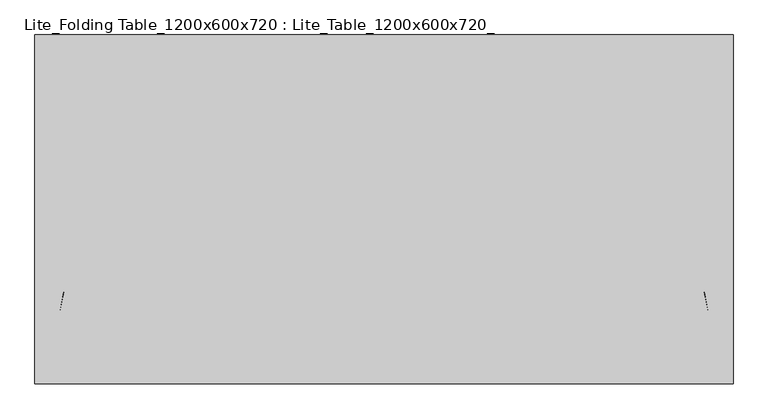
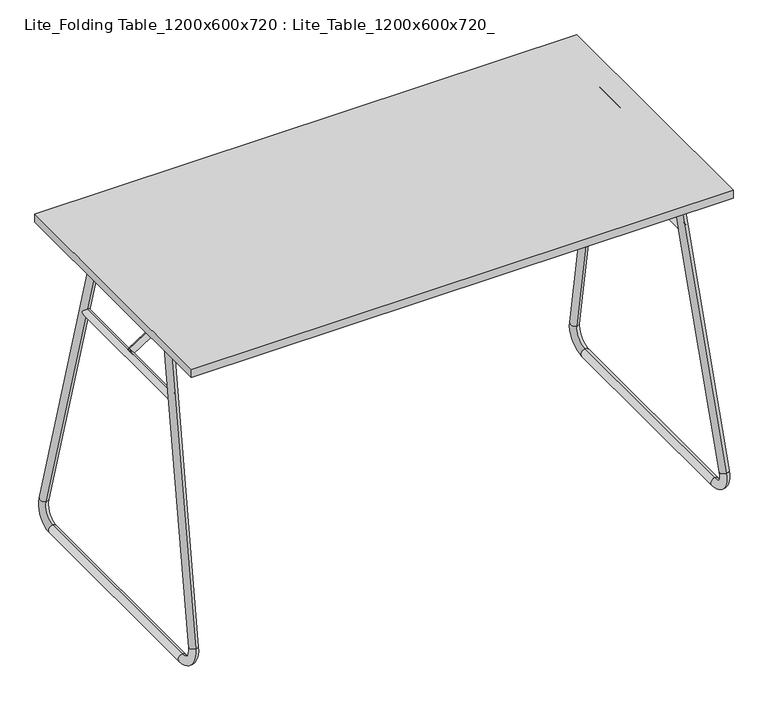
"""IFC4 building model written with IfcOpenShell, lengths in millimetres: furniture geometry, Lite_Folding Table_1200x600x720 : Lite_Table_1200x600x720_."""

import ifcopenshell
import ifcopenshell.guid

model = None  # the IFC model being written
_history = None  # IfcOwnerHistory: only IFC2X3 demands one
_inside = {}  # id of a spatial element -> (the spatial element, [elements in it])
_under = {}  # id of a project, library or spatial element -> (it, [spatial elements below it])
_declared = {}  # id of a project -> (the project, [libraries it declares])
_typed = {}  # id of a type object -> (the type object, [elements of that type])
_made_of = {}  # id of a material, layer set ... -> (it, [elements and type objects made of it])


def new_model(schema):
    """Start an empty IFC model of exactly this schema.

    Asked for "IFC4X3", IfcOpenShell would pick the latest addendum, in which some entities
    have other attributes; the version numbers below select the first issue.
    IFC2X3 requires an IfcOwnerHistory on every rooted entity: one is made here for all.
    """
    global model, _history
    if schema == "IFC4X3":
        model = ifcopenshell.file(schema_version=(4, 3, 0, 0))
    else:
        model = ifcopenshell.file(schema=schema)
    _inside.clear()
    _under.clear()
    _declared.clear()
    _typed.clear()
    _made_of.clear()
    _history = None
    if model.schema == "IFC2X3":
        org = make("IfcOrganization", Name="unknown")
        user = make(
            "IfcPersonAndOrganization",
            ThePerson=make("IfcPerson", FamilyName="unknown"),
            TheOrganization=org,
        )
        app = make(
            "IfcApplication",
            ApplicationDeveloper=org,
            Version="unknown",
            ApplicationFullName="unknown",
            ApplicationIdentifier="unknown",
        )
        _history = make(
            "IfcOwnerHistory",
            OwningUser=user,
            OwningApplication=app,
            ChangeAction="ADDED",
            CreationDate=0,
        )
    return model


def make(cls, **values):
    """One entity of the class cls with the attributes given. An attribute that is None is left unset."""
    return model.create_entity(
        cls, **{name: value for name, value in values.items() if value is not None}
    )


def rooted(cls, **values):
    """An entity with a GlobalId (a new one), such as an element, a storey or a relation."""
    return make(cls, GlobalId=ifcopenshell.guid.new(), OwnerHistory=_history, **values)


def si_unit(unit_type, name, prefix=None):
    """IfcSIUnit, for example si_unit("LENGTHUNIT", "METRE", prefix="MILLI")."""
    return make("IfcSIUnit", UnitType=unit_type, Prefix=prefix, Name=name)


def assignment(units):
    """IfcUnitAssignment: the units of a project."""
    return None if units is None else make("IfcUnitAssignment", Units=units)


def point(xyz):
    """IfcCartesianPoint."""
    return None if xyz is None else make("IfcCartesianPoint", Coordinates=xyz)


def direction(xyz):
    """IfcDirection."""
    return None if xyz is None else make("IfcDirection", DirectionRatios=xyz)


def frame(location, z_axis=None, x_axis=None):
    """IfcAxis2Placement3D, a coordinate frame: its origin and axes. An axis left out is left unset."""
    return make(
        "IfcAxis2Placement3D",
        Location=point(location),
        Axis=direction(z_axis),
        RefDirection=direction(x_axis),
    )


def frame_2d(location, x_axis=None):
    """IfcAxis2Placement2D, a coordinate frame in the plane: its origin and x axis."""
    return make(
        "IfcAxis2Placement2D", Location=point(location), RefDirection=direction(x_axis)
    )


def origin():
    """The frame at (0, 0, 0) with its axes left unset."""
    return frame((0.0, 0.0, 0.0))


def origin_2d():
    """The frame at (0, 0) in the plane with its x axis left unset."""
    return frame_2d((0.0, 0.0))


def place(relative_to, where):
    """IfcLocalPlacement: puts the frame where relative to a parent placement (None: the world)."""
    return make(
        "IfcLocalPlacement", PlacementRelTo=relative_to, RelativePlacement=where
    )


def context(
    kind, dimensions, precision=None, world=None, true_north=None, identifier=None
):
    """IfcGeometricRepresentationContext, for example the 3D "Model" context."""
    return make(
        "IfcGeometricRepresentationContext",
        ContextIdentifier=identifier,
        ContextType=kind,
        CoordinateSpaceDimension=dimensions,
        Precision=precision,
        WorldCoordinateSystem=world,
        TrueNorth=true_north,
    )


def project(units=None, contexts=None):
    """IfcProject with its units and contexts."""
    return rooted(
        "IfcProject",
        Name="project",
        RepresentationContexts=contexts,
        UnitsInContext=assignment(units),
    )


def spatial(cls, under=None, at=None, **own):
    """A site, building, storey or space (cls), placed at a placement, below another one or the project."""
    s = rooted(cls, ObjectPlacement=at, **own)
    if under is not None:
        _under.setdefault(under.id(), (under, []))[1].append(s)
    return s


def polyline(points):
    """IfcPolyline through the points."""
    return make("IfcPolyline", Points=[point(p) for p in points])


def circle_curve(where, radius):
    """IfcCircle in the frame where."""
    return make("IfcCircle", Position=where, Radius=radius)


def ellipse_curve(where, semi_axis1, semi_axis2):
    """IfcEllipse in the frame where."""
    return make(
        "IfcEllipse", Position=where, SemiAxis1=semi_axis1, SemiAxis2=semi_axis2
    )


def trimmed(basis, trim1, trim2, sense, master):
    """IfcTrimmedCurve: the piece of a basis curve between two trims."""
    return make(
        "IfcTrimmedCurve",
        BasisCurve=basis,
        Trim1=trim1,
        Trim2=trim2,
        SenseAgreement=sense,
        MasterRepresentation=master,
    )


def segment(curve, same_sense, transition):
    """IfcCompositeCurveSegment."""
    return make(
        "IfcCompositeCurveSegment",
        Transition=transition,
        SameSense=same_sense,
        ParentCurve=curve,
    )


def composite_curve(segments, self_intersect=None):
    """IfcCompositeCurve: segments joined end to end."""
    return make("IfcCompositeCurve", Segments=segments, SelfIntersect=self_intersect)


def outline(outer, holes=None, kind="AREA"):
    """IfcArbitraryClosedProfileDef: a profile drawn as a closed curve; with holes, ...WithVoids."""
    if holes is None:
        return make("IfcArbitraryClosedProfileDef", ProfileType=kind, OuterCurve=outer)
    return make(
        "IfcArbitraryProfileDefWithVoids",
        ProfileType=kind,
        OuterCurve=outer,
        InnerCurves=holes,
    )


def extrude(swept, where, along, depth):
    """IfcExtrudedAreaSolid: the profile swept, set in the frame where, extruded along a direction by depth."""
    return make(
        "IfcExtrudedAreaSolid",
        SweptArea=swept,
        Position=where,
        ExtrudedDirection=direction(along),
        Depth=depth,
    )


def shape(context_of_items, identifier, shape_type, items):
    """IfcShapeRepresentation: the items that make up one representation, for example the "Body"."""
    return make(
        "IfcShapeRepresentation",
        ContextOfItems=context_of_items,
        RepresentationIdentifier=identifier,
        RepresentationType=shape_type,
        Items=items,
    )


def source(mapping_origin, context_of_items, identifier, shape_type, items):
    """IfcRepresentationMap: a shape defined once, which mapped items show again and again."""
    return make(
        "IfcRepresentationMap",
        MappingOrigin=mapping_origin,
        MappedRepresentation=shape(context_of_items, identifier, shape_type, items),
    )


def transform(
    local_origin,
    x_axis=None,
    y_axis=None,
    z_axis=None,
    scale=None,
    scale2=None,
    scale3=None,
    uniform=True,
):
    """IfcCartesianTransformationOperator3D, or its non-uniform kind. x_axis, y_axis, z_axis: its Axis1, 2, 3."""
    if uniform:
        return make(
            "IfcCartesianTransformationOperator3D",
            Axis1=direction(x_axis),
            Axis2=direction(y_axis),
            LocalOrigin=point(local_origin),
            Scale=scale,
            Axis3=direction(z_axis),
        )
    return make(
        "IfcCartesianTransformationOperator3DnonUniform",
        Axis1=direction(x_axis),
        Axis2=direction(y_axis),
        LocalOrigin=point(local_origin),
        Scale=scale,
        Axis3=direction(z_axis),
        Scale2=scale2,
        Scale3=scale3,
    )


def mapped(mapping_source, mapping_target):
    """IfcMappedItem: shows the shape of a source again, moved by a transform."""
    return make(
        "IfcMappedItem", MappingSource=mapping_source, MappingTarget=mapping_target
    )


def made_of(thing, what):
    """Note that an element or type object is made of a material, layer set ...; save() writes the relation."""
    if what is not None:
        _made_of.setdefault(what.id(), (what, []))[1].append(thing)
    return thing


def element(
    cls,
    number,
    at=None,
    inside=None,
    cuts=None,
    type_object=None,
    material=None,
    context=None,
    identifier="Body",
    shape_type=None,
    held_by="IfcProductDefinitionShape",
    body=None,
    shapes=None,
    **own,
):
    """One element of the class cls, such as IfcWall. Its Tag is "e" and its number.

    at: its placement. inside: the storey or other place that contains it. cuts: it is an
    opening in that element (IfcRelVoidsElement). A single representation is given by context,
    identifier, shape_type and body (its items); several are given by shapes. held_by: the class
    of the entity that holds the representations. save() writes the other relations.
    """
    e = rooted(cls, Tag="e%d" % number, ObjectPlacement=at, **own)
    if body is not None:
        shapes = [shape(context, identifier, shape_type, body)]
    if shapes is not None:
        e.Representation = make(held_by, Representations=shapes)
    if inside is not None:
        _inside.setdefault(inside.id(), (inside, []))[1].append(e)
    if cuts is not None:
        rooted(
            "IfcRelVoidsElement", RelatingBuildingElement=cuts, RelatedOpeningElement=e
        )
    if type_object is not None:
        _typed.setdefault(type_object.id(), (type_object, []))[1].append(e)
    return made_of(e, material)


def aggregate(whole, parts):
    """IfcRelAggregates: a whole, such as a stair, and the parts it consists of."""
    return rooted("IfcRelAggregates", RelatingObject=whole, RelatedObjects=parts)


def save(model, path):
    """Write the relations noted so far, then the file.

    IfcRelAggregates (storeys below a building ...), IfcRelContainedInSpatialStructure (elements
    in a storey), IfcRelDefinesByType, IfcRelAssociatesMaterial and IfcRelDeclares: one each for
    every whole, place, type object, material and project.
    """
    for whole, parts in _under.values():
        aggregate(whole, parts)
    for where, things in _inside.values():
        rooted(
            "IfcRelContainedInSpatialStructure",
            RelatedElements=things,
            RelatingStructure=where,
        )
    for kind, things in _typed.values():
        rooted("IfcRelDefinesByType", RelatedObjects=things, RelatingType=kind)
    for what, things in _made_of.values():
        rooted("IfcRelAssociatesMaterial", RelatedObjects=things, RelatingMaterial=what)
    for by, libraries in _declared.values():
        rooted("IfcRelDeclares", RelatingContext=by, RelatedDefinitions=libraries)
    model.write(path)


def plane_surface(at):
    """IfcPlane: the flat surface through the origin of the frame at, square to its z axis."""
    return make("IfcPlane", Position=at)


def cylinder_surface(at, radius):
    """IfcCylindricalSurface: all points at the distance radius from the z axis of the frame at."""
    return make("IfcCylindricalSurface", Position=at, Radius=radius)


def revolved_surface(curve, axis_point, axis_direction):
    """IfcSurfaceOfRevolution: the curve turned about the line through axis_point along axis_direction."""
    return make(
        "IfcSurfaceOfRevolution",
        SweptCurve=make("IfcArbitraryOpenProfileDef", ProfileType="CURVE", Curve=curve),
        AxisPosition=make("IfcAxis1Placement", Location=point(axis_point), Axis=direction(axis_direction)),
    )


def advanced_brep(points, edges, surfaces, faces):
    """IfcAdvancedBrep: a solid bounded by faces that lie on surfaces and meet in shared edges.

    An edge is (start, end): straight between two places in points (the first is 0);
    or (start, end, curve); or (start, end, curve, False) where it runs against its curve.
    A face is (place in surfaces, loops), or (place, loops, False) where it looks against
    its surface's normal. A loop lists edges by number (the first is 1), with a minus sign
    where the edge is run from its end to its start. The first loop is the outer one.
    """
    corners = [point(p) for p in points]
    vertices = [make("IfcVertexPoint", VertexGeometry=c) for c in corners]
    made = []
    for start, end, *more in edges:
        made.append(
            make(
                "IfcEdgeCurve",
                EdgeStart=vertices[start],
                EdgeEnd=vertices[end],
                EdgeGeometry=more[0] if more else make("IfcPolyline", Points=[corners[start], corners[end]]),
                SameSense=more[1] if len(more) > 1 else True,
            )
        )
    hull = []
    for where, loops, *sense in faces:
        bounds = []
        for j, loop in enumerate(loops):
            ring = [make("IfcOrientedEdge", EdgeElement=made[abs(k) - 1], Orientation=k > 0) for k in loop]
            bounds.append(
                make(
                    "IfcFaceOuterBound" if j == 0 else "IfcFaceBound",
                    Bound=make("IfcEdgeLoop", EdgeList=ring),
                    Orientation=True,
                )
            )
        hull.append(make("IfcAdvancedFace", Bounds=bounds, FaceSurface=surfaces[where], SameSense=sense[0] if sense else True))
    return make("IfcAdvancedBrep", Outer=make("IfcClosedShell", CfsFaces=hull))


def lite_folding_table_1200x600x720_lite_table_1200x600x720_71f1359f(model_context):
    return source(origin(), model_context, "Body", "SolidModel", [
        extrude(outline(composite_curve([segment(trimmed(circle_curve(frame_2d((683.5970821, 539.9999787)), 5.1499945), [point((683.5970821, 534.8499842))], [point((683.5970821, 545.1499732))], False, "CARTESIAN"), True, "CONTINUOUS"), segment(trimmed(circle_curve(frame_2d((683.5970821, 539.9999787)), 5.1499945), [point((683.5970821, 545.1499732))], [point((683.5970821, 534.8499842))], False, "CARTESIAN"), True, "CONTINUOUS")], self_intersect=False)), frame((0.0, 123.9999984, 0.0), z_axis=(0.0, 1.0, 0.0), x_axis=(0.0, 0.0, 1.0)), (0.0, 0.0, 1.0), 5.0243175),
        extrude(outline(composite_curve([segment(trimmed(circle_curve(frame_2d((683.5970821, 539.9999787)), 5.1499945), [point((683.5970821, 534.8499842))], [point((683.5970821, 545.1499732))], False, "CARTESIAN"), True, "CONTINUOUS"), segment(trimmed(circle_curve(frame_2d((683.5970821, 539.9999787)), 5.1499945), [point((683.5970821, 545.1499732))], [point((683.5970821, 534.8499842))], False, "CARTESIAN"), True, "CONTINUOUS")], self_intersect=False)), frame((0.0, -129.0243159, 0.0), z_axis=(0.0, 1.0, 0.0), x_axis=(0.0, 0.0, 1.0)), (0.0, 0.0, 1.0), 5.0243175),
        extrude(outline(composite_curve([segment(polyline([(693.5970531, 560.4687469), (693.5970531, 539.9999969)]), True, "CONTINUOUS"), segment(trimmed(circle_curve(frame_2d((683.6032496, 539.9999969)), 9.9938036), [point((693.5970531, 539.9999969))], [point((673.609446, 539.9999969))], False, "CARTESIAN"), True, "CONTINUOUS"), segment(polyline([(673.609446, 539.9999969), (673.609446, 560.4687469)]), True, "CONTINUOUS"), segment(trimmed(circle_curve(frame_2d((683.6032496, 560.4687469)), 9.9938036), [point((673.609446, 560.4687469))], [point((693.5970531, 560.4687469))], False, "CARTESIAN"), True, "CONTINUOUS")], self_intersect=False)), frame((0.0, -132.0000006, 0.0), z_axis=(0.0, 1.0, 0.0), x_axis=(0.0, 0.0, 1.0)), (0.0, 0.0, 1.0), 2.9756848),
        extrude(outline(composite_curve([segment(polyline([(693.5970531, 560.4687469), (693.5970531, 539.9999969)]), True, "CONTINUOUS"), segment(trimmed(circle_curve(frame_2d((683.6032496, 539.9999969)), 9.9938036), [point((693.5970531, 539.9999969))], [point((673.609446, 539.9999969))], False, "CARTESIAN"), True, "CONTINUOUS"), segment(polyline([(673.609446, 539.9999969), (673.609446, 560.4687469)]), True, "CONTINUOUS"), segment(trimmed(circle_curve(frame_2d((683.6032496, 560.4687469)), 9.9938036), [point((673.609446, 560.4687469))], [point((693.5970531, 560.4687469))], False, "CARTESIAN"), True, "CONTINUOUS")], self_intersect=False)), frame((0.0, 129.0243159, 0.0), z_axis=(0.0, 1.0, 0.0), x_axis=(0.0, 0.0, 1.0)), (0.0, 0.0, 1.0), 2.9756848),
        advanced_brep(
        [(559.4103833, -150.3030071, 692.2272476), (559.6004968, -131.7833462, 687.9558758), (559.4092398, 149.3851362, 692.2529396), (559.5999996, 130.868837, 687.9670469), (587.571711, -296.5211925, 59.5131085), (587.7618245, -278.0015315, 55.2417366), (590.2204021, -249.1383979, 0.0036876), (589.3752694, -249.1383979, 18.9916931), (590.2204021, 248.7501839, 0.0036876), (589.3752694, 248.7501839, 18.9916931), (587.5700575, 296.1243775, 59.5502601), (587.7608173, 277.6080782, 55.2643674)],
        [
            (0, 1, circle_curve(frame((559.5054401, -141.0431767, 690.0915617), z_axis=(-0.043325119547153394, 0.22495105434386328, 0.9734063679501019), x_axis=(0.010002391980149997, 0.9743700647852357, -0.22472856739874253)), 9.5034021)),
            (1, 0, circle_curve(frame((559.5054401, -141.0431767, 690.0915617), z_axis=(-0.043325119547153394, 0.22495105434386328, 0.9734063679501019), x_axis=(0.010002391980149997, 0.9743700647852357, -0.22472856739874253)), 9.5034021)),
            (2, 3, circle_curve(frame((559.5046197, 140.1269866, 690.1099932), z_axis=(-0.04331725511858302, -0.22571578806152526, 0.9732296740383312), x_axis=(0.01003639567231674, -0.9741931959420393, -0.22549254475956426)), 9.5034021)),
            (3, 2, circle_curve(frame((559.5046197, 140.1269866, 690.1099932), z_axis=(-0.04331725511858302, -0.22571578806152526, 0.9732296740383312), x_axis=(0.01003639567231674, -0.9741931959420393, -0.22549254475956426)), 9.5034021)),
            (0, 4),
            (4, 5, circle_curve(frame((587.6667678, -287.261362, 57.3774225), z_axis=(-0.043325119547153394, 0.22495105434386328, 0.9734063679501019), x_axis=(0.010002391980149997, 0.9743700647852357, -0.22472856739874253)), 9.5034021)),
            (5, 1),
            (5, 4, circle_curve(frame((587.6667678, -287.261362, 57.3774225), z_axis=(-0.043325119547153394, 0.22495105434386328, 0.9734063679501019), x_axis=(0.010002391980149997, 0.9743700647852357, -0.22472856739874253)), 9.5034021)),
            (6, 7, circle_curve(frame((589.7978357, -249.1383979, 9.4976904), z_axis=(0.0, -0.9999999999999999, 0.0), x_axis=(-0.04446474816188329, 0.0, 0.9990109539794347)), 9.5034021)),
            (7, 5, circle_curve(frame((588.0581189, -249.1383979, 48.5847478), z_axis=(-0.9990109539794347, 0.0, -0.04446474816188329), x_axis=(-0.010002391980150285, -0.9743700647852341, 0.22472856739874889)), 29.6223525)),
            (4, 6, circle_curve(frame((588.0581189, -249.1383979, 48.5847478), z_axis=(0.9990109539794347, 0.0, 0.04446474816188329), x_axis=(-0.010002391980150285, -0.9743700647852341, 0.22472856739874889)), 48.6291567)),
            (7, 6, circle_curve(frame((589.7978357, -249.1383979, 9.4976904), z_axis=(0.0, -0.9999999999999999, 0.0), x_axis=(-0.04446474816188329, 0.0, 0.9990109539794346)), 9.5034021)),
            (6, 8),
            (8, 9, circle_curve(frame((589.7978357, 248.7501839, 9.4976904), z_axis=(0.0, -1.0, 0.0), x_axis=(-0.04446474816188329, 0.0, 0.9990109539794347)), 9.5034021)),
            (9, 7),
            (9, 8, circle_curve(frame((589.7978357, 248.7501839, 9.4976904), z_axis=(0.0, -1.0, 0.0), x_axis=(-0.04446474816188329, 0.0, 0.9990109539794347)), 9.5034021)),
            (10, 11, circle_curve(frame((587.6654374, 286.8662278, 57.4073137), z_axis=(0.04331725511858308, 0.22571578806151887, -0.9732296740383326), x_axis=(0.01003639567231646, -0.9741931959420408, -0.22549254475955785)), 9.5034021)),
            (11, 9, circle_curve(frame((588.0581189, 248.7501839, 48.5847478), z_axis=(-0.9990109539794347, 0.0, -0.04446474816188329), x_axis=(0.04446474816188329, 0.0, -0.9990109539794347)), 29.6223525)),
            (8, 10, circle_curve(frame((588.0581189, 248.7501839, 48.5847478), z_axis=(0.9990109539794347, 0.0, 0.04446474816188329), x_axis=(0.04446474816188329, 0.0, -0.9990109539794347)), 48.6291567)),
            (11, 10, circle_curve(frame((587.6654374, 286.8662278, 57.4073137), z_axis=(0.04331725511858309, 0.22571578806151865, -0.9732296740383327), x_axis=(0.010036395672316449, -0.9741931959420409, -0.22549254475955763)), 9.5034021)),
            (10, 2),
            (3, 11),
        ],
        [
            plane_surface(frame((-29.3519177, -117.5357636, 658.4497585), z_axis=(-0.043325119547153394, 0.22495105434386328, 0.9734063679501019), x_axis=(-0.9990109539794347, 0.0, -0.044464748161883276))),
            plane_surface(frame((-29.3519177, 116.6238406, 658.4497585), z_axis=(-0.04331725511858299, -0.22571578806152534, 0.9732296740383312), x_axis=(-0.9990109539794347, 0.0, -0.044464748161883276))),
            cylinder_surface(frame((559.5054401, -141.0431767, 690.0915617), z_axis=(-0.043325119547153394, 0.22495105434386328, 0.9734063679501019), x_axis=(0.010002391980149997, 0.9743700647852357, -0.22472856739874253)), 9.5034021),
            revolved_surface(trimmed(ellipse_curve(frame((587.6667678, -287.261362, 57.3774225), z_axis=(0.04332511954715333, -0.22495105434386972, -0.9734063679501004), x_axis=(0.010002391980150283, 0.9743700647852341, -0.22472856739874897)), 9.5034021, 9.5034021), [point((587.7618245, -278.0015315, 55.2417366))], [point((587.571711, -296.5211925, 59.5131085))], True, "CARTESIAN"), (-1.0405542, -249.1383979, 22.3646908), (-0.9990109539794347, 0.0, -0.04446474816188329)),
            revolved_surface(trimmed(ellipse_curve(frame((587.6667678, -287.261362, 57.3774225), z_axis=(0.04332511954715333, -0.22495105434386972, -0.9734063679501004), x_axis=(0.010002391980150283, 0.9743700647852341, -0.22472856739874897)), 9.5034021, 9.5034021), [point((587.571711, -296.5211925, 59.5131085))], [point((587.7618245, -278.0015315, 55.2417366))], True, "CARTESIAN"), (-1.0405542, -249.1383979, 22.3646908), (-0.9990109539794347, 0.0, -0.04446474816188329)),
            cylinder_surface(frame((589.7978357, -249.1383979, 9.4976904), z_axis=(0.0, -1.0, 0.0), x_axis=(-0.04446474816188329, 0.0, 0.9990109539794347)), 9.5034021),
            revolved_surface(trimmed(ellipse_curve(frame((589.7978357, 248.7501839, 9.4976904), z_axis=(0.0, 1.0, 0.0), x_axis=(-0.04446474816188329, 0.0, 0.9990109539794347)), 9.5034021, 9.5034021), [point((589.3752694, 248.7501839, 18.9916931))], [point((590.2204021, 248.7501839, 0.0036876))], True, "CARTESIAN"), (-1.0405542, 248.7501839, 22.3646908), (-0.9990109539794347, 0.0, -0.04446474816188329)),
            revolved_surface(trimmed(ellipse_curve(frame((589.7978357, 248.7501839, 9.4976904), z_axis=(0.0, 1.0, 0.0), x_axis=(-0.04446474816188329, 0.0, 0.9990109539794347)), 9.5034021, 9.5034021), [point((590.2204021, 248.7501839, 0.0036876))], [point((589.3752694, 248.7501839, 18.9916931))], True, "CARTESIAN"), (-1.0405542, 248.7501839, 22.3646908), (-0.9990109539794347, 0.0, -0.04446474816188329)),
            cylinder_surface(frame((587.6654374, 286.8662278, 57.4073137), z_axis=(0.04331725511858302, 0.22571578806152526, -0.9732296740383312), x_axis=(0.01003639567231674, -0.9741931959420393, -0.22549254475956426)), 9.5034021),
        ],
        [
            (0, [[1, 2]]),
            (1, [[3, 4]]),
            (2, [[5, 6, 7, -1]]),
            (2, [[-7, 8, -5, -2]]),
            (3, [[9, 10, -6, 11]]),
            (4, [[12, -11, -8, -10]]),
            (5, [[13, 14, 15, -9]]),
            (5, [[-15, 16, -13, -12]]),
            (6, [[17, 18, -14, 19]]),
            (7, [[20, -19, -16, -18]]),
            (8, [[21, -4, 22, -17]]),
            (8, [[-22, -3, -21, -20]]),
        ],
    ),
        advanced_brep(
        [(-559.6004968, -131.7833462, 687.9558758), (-559.4103833, -150.3030071, 692.2272476), (-559.5999996, 130.868837, 687.9670469), (-559.4092398, 149.3851362, 692.2529396), (-587.571711, -296.5211925, 59.5131085), (-587.7618245, -278.0015315, 55.2417366), (-590.2204021, -249.1383979, 0.0036876), (-589.3752694, -249.1383979, 18.9916931), (-590.2204021, 248.7501839, 0.0036876), (-589.3752694, 248.7501839, 18.9916931), (-587.5700575, 296.1243775, 59.5502601), (-587.7608173, 277.6080782, 55.2643674)],
        [
            (0, 1, circle_curve(frame((-559.5054401, -141.0431767, 690.0915617), z_axis=(0.043325119547153394, 0.22495105434386325, 0.9734063679501019), x_axis=(0.01000239198014999, -0.9743700647852357, 0.2247285673987425)), 9.5034021)),
            (1, 0, circle_curve(frame((-559.5054401, -141.0431767, 690.0915617), z_axis=(0.043325119547153394, 0.22495105434386325, 0.9734063679501019), x_axis=(0.01000239198014999, -0.9743700647852357, 0.2247285673987425)), 9.5034021)),
            (2, 3, circle_curve(frame((-559.5046197, 140.1269866, 690.1099932), z_axis=(0.04331725511858301, -0.2257157880615253, 0.9732296740383312), x_axis=(0.010036395672316735, 0.9741931959420393, 0.22549254475956432)), 9.5034021)),
            (3, 2, circle_curve(frame((-559.5046197, 140.1269866, 690.1099932), z_axis=(0.04331725511858301, -0.2257157880615253, 0.9732296740383312), x_axis=(0.010036395672316735, 0.9741931959420393, 0.22549254475956432)), 9.5034021)),
            (1, 4),
            (4, 5, circle_curve(frame((-587.6667678, -287.261362, 57.3774225), z_axis=(0.043325119547153394, 0.22495105434386325, 0.9734063679501019), x_axis=(0.01000239198014999, -0.9743700647852357, 0.2247285673987425)), 9.5034021)),
            (5, 0),
            (5, 4, circle_curve(frame((-587.6667678, -287.261362, 57.3774225), z_axis=(0.043325119547153394, 0.22495105434386325, 0.9734063679501019), x_axis=(0.01000239198014999, -0.9743700647852357, 0.2247285673987425)), 9.5034021)),
            (6, 7, circle_curve(frame((-589.7978357, -249.1383979, 9.4976904), z_axis=(0.0, -0.9999999999999999, 0.0), x_axis=(-0.0444647481618833, 0.0, -0.9990109539794347)), 9.5034021)),
            (7, 5, circle_curve(frame((-588.0581189, -249.1383979, 48.5847478), z_axis=(-0.9990109539794347, 0.0, 0.04446474816188329), x_axis=(0.010002391980150285, -0.9743700647852341, 0.22472856739874889)), 29.6223525)),
            (4, 6, circle_curve(frame((-588.0581189, -249.1383979, 48.5847478), z_axis=(0.9990109539794347, 0.0, -0.04446474816188329), x_axis=(0.010002391980150285, -0.9743700647852341, 0.22472856739874889)), 48.6291567)),
            (7, 6, circle_curve(frame((-589.7978357, -249.1383979, 9.4976904), z_axis=(0.0, -1.0, 0.0), x_axis=(-0.044464748161883304, 0.0, -0.9990109539794347)), 9.5034021)),
            (6, 8),
            (8, 9, circle_curve(frame((-589.7978357, 248.7501839, 9.4976904), z_axis=(0.0, -1.0, 0.0), x_axis=(-0.0444647481618833, 0.0, -0.9990109539794347)), 9.5034021)),
            (9, 7),
            (9, 8, circle_curve(frame((-589.7978357, 248.7501839, 9.4976904), z_axis=(0.0, -1.0, 0.0), x_axis=(-0.0444647481618833, 0.0, -0.9990109539794347)), 9.5034021)),
            (10, 11, circle_curve(frame((-587.6654374, 286.8662278, 57.4073137), z_axis=(-0.04331725511858307, 0.22571578806151957, -0.9732296740383325), x_axis=(0.010036395672316484, 0.9741931959420407, 0.22549254475955854)), 9.5034021)),
            (11, 9, circle_curve(frame((-588.0581189, 248.7501839, 48.5847478), z_axis=(-0.9990109539794347, 0.0, 0.04446474816188329), x_axis=(-0.04446474816188329, 0.0, -0.9990109539794347)), 29.6223525)),
            (8, 10, circle_curve(frame((-588.0581189, 248.7501839, 48.5847478), z_axis=(0.9990109539794347, 0.0, -0.04446474816188329), x_axis=(-0.04446474816188329, 0.0, -0.9990109539794347)), 48.6291567)),
            (11, 10, circle_curve(frame((-587.6654374, 286.8662278, 57.4073137), z_axis=(-0.043317255118583066, 0.22571578806152, -0.9732296740383324), x_axis=(0.010036395672316503, 0.9741931959420406, 0.225492544759559)), 9.5034021)),
            (10, 3),
            (2, 11),
        ],
        [
            plane_surface(frame((29.3519177, -117.5357636, 658.4497585), z_axis=(0.043325119547153394, 0.22495105434386325, 0.9734063679501019), x_axis=(0.9990109539794347, 0.0, -0.044464748161883276))),
            plane_surface(frame((29.3519177, 116.6238406, 658.4497585), z_axis=(0.043317255118583, -0.22571578806152534, 0.9732296740383312), x_axis=(0.9990109539794347, 0.0, -0.04446474816188328))),
            cylinder_surface(frame((-559.5054401, -141.0431767, 690.0915617), z_axis=(0.043325119547153394, 0.22495105434386325, 0.9734063679501019), x_axis=(0.01000239198014999, -0.9743700647852357, 0.2247285673987425)), 9.5034021),
            revolved_surface(trimmed(ellipse_curve(frame((-587.6667678, -287.261362, 57.3774225), z_axis=(-0.04332511954715334, -0.22495105434386967, -0.9734063679501004), x_axis=(0.010002391980150275, -0.9743700647852341, 0.2247285673987489)), 9.5034021, 9.5034021), [point((-587.7618245, -278.0015315, 55.2417366))], [point((-587.571711, -296.5211925, 59.5131085))], True, "CARTESIAN"), (1.0405542, -249.1383979, 22.3646908), (-0.9990109539794347, 0.0, 0.04446474816188329)),
            revolved_surface(trimmed(ellipse_curve(frame((-587.6667678, -287.261362, 57.3774225), z_axis=(-0.04332511954715334, -0.22495105434386967, -0.9734063679501004), x_axis=(0.010002391980150275, -0.9743700647852341, 0.2247285673987489)), 9.5034021, 9.5034021), [point((-587.571711, -296.5211925, 59.5131085))], [point((-587.7618245, -278.0015315, 55.2417366))], True, "CARTESIAN"), (1.0405542, -249.1383979, 22.3646908), (-0.9990109539794347, 0.0, 0.04446474816188329)),
            cylinder_surface(frame((-589.7978357, -249.1383979, 9.4976904), z_axis=(0.0, -1.0, 0.0), x_axis=(-0.0444647481618833, 0.0, -0.9990109539794347)), 9.5034021),
            revolved_surface(trimmed(ellipse_curve(frame((-589.7978357, 248.7501839, 9.4976904), z_axis=(0.0, 1.0, 0.0), x_axis=(-0.0444647481618833, 0.0, -0.9990109539794347)), 9.5034021, 9.5034021), [point((-589.3752694, 248.7501839, 18.9916931))], [point((-590.2204021, 248.7501839, 0.0036876))], True, "CARTESIAN"), (1.0405542, 248.7501839, 22.3646908), (-0.9990109539794347, 0.0, 0.04446474816188329)),
            revolved_surface(trimmed(ellipse_curve(frame((-589.7978357, 248.7501839, 9.4976904), z_axis=(0.0, 1.0, 0.0), x_axis=(-0.0444647481618833, 0.0, -0.9990109539794347)), 9.5034021, 9.5034021), [point((-590.2204021, 248.7501839, 0.0036876))], [point((-589.3752694, 248.7501839, 18.9916931))], True, "CARTESIAN"), (1.0405542, 248.7501839, 22.3646908), (-0.9990109539794347, 0.0, 0.04446474816188329)),
            cylinder_surface(frame((-587.6654374, 286.8662278, 57.4073137), z_axis=(-0.04331725511858301, 0.2257157880615253, -0.9732296740383312), x_axis=(0.010036395672316735, 0.9741931959420393, 0.22549254475956432)), 9.5034021),
        ],
        [
            (0, [[1, 2]]),
            (1, [[3, 4]]),
            (2, [[5, 6, 7, -2]]),
            (2, [[-7, 8, -5, -1]]),
            (3, [[9, 10, -6, 11]]),
            (4, [[12, -11, -8, -10]]),
            (5, [[13, 14, 15, -9]]),
            (5, [[-15, 16, -13, -12]]),
            (6, [[17, 18, -14, 19]]),
            (7, [[20, -19, -16, -18]]),
            (8, [[21, -3, 22, -17]]),
            (8, [[-22, -4, -21, -20]]),
        ],
    ),
        extrude(outline(composite_curve([segment(trimmed(circle_curve(origin_2d(), 7.0043551), [point((0.0, 7.0043551))], [point((0.0, -7.0043551))], False, "CARTESIAN"), True, "CONTINUOUS"), segment(trimmed(circle_curve(origin_2d(), 7.0043551), [point((0.0, -7.0043551))], [point((0.0, 7.0043551))], False, "CARTESIAN"), True, "CONTINUOUS")], self_intersect=False)), frame((-562.6007744, 0.0, 565.7164093), z_axis=(0.839186384163062, 0.0, 0.5438439230471604), x_axis=(0.0, 1.0, 0.0)), (0.0, 0.0, 1.0), 248.7544404),
        extrude(outline(composite_curve([segment(trimmed(circle_curve(origin_2d(), 7.0043551), [point((0.0, 7.0043552))], [point((0.0, -7.0043551))], False, "CARTESIAN"), True, "CONTINUOUS"), segment(trimmed(circle_curve(origin_2d(), 7.0043551), [point((0.0, -7.0043551))], [point((0.0, 7.0043552))], False, "CARTESIAN"), True, "CONTINUOUS")], self_intersect=False)), frame((562.4356538, 0.0, 565.7164093), z_axis=(-0.8391863841630642, 0.0, 0.5438439230471569), x_axis=(0.0, 1.0, 0.0)), (0.0, 0.0, 1.0), 248.7544404),
        extrude(outline(composite_curve([segment(trimmed(circle_curve(frame_2d((563.7575029, -565.7575487)), 7.9724387), [point((571.7299417, -565.7575487))], [point((555.7850642, -565.7575487))], False, "CARTESIAN"), True, "CONTINUOUS"), segment(trimmed(circle_curve(frame_2d((563.7575029, -565.7575487)), 7.9724387), [point((555.7850642, -565.7575487))], [point((571.7299417, -565.7575487))], False, "CARTESIAN"), True, "CONTINUOUS")], self_intersect=False)), frame((0.0, -166.9999991, 0.0), z_axis=(0.0, 1.0, 0.0), x_axis=(0.0, 0.0, 1.0)), (0.0, 0.0, 1.0), 333.9999982),
        extrude(outline(composite_curve([segment(trimmed(circle_curve(frame_2d((563.7575029, 565.7575487)), 7.9724387), [point((571.7299417, 565.7575487))], [point((555.7850642, 565.7575487))], False, "CARTESIAN"), True, "CONTINUOUS"), segment(trimmed(circle_curve(frame_2d((563.7575029, 565.7575487)), 7.9724387), [point((555.7850642, 565.7575487))], [point((571.7299417, 565.7575487))], False, "CARTESIAN"), True, "CONTINUOUS")], self_intersect=False)), frame((0.0, -166.9999991, 0.0), z_axis=(0.0, 1.0, 0.0), x_axis=(0.0, 0.0, 1.0)), (0.0, 0.0, 1.0), 333.9999982),
        extrude(outline(composite_curve([segment(trimmed(circle_curve(frame_2d((691.0344114, -559.8994077)), 9.9655886), [point((701.0, -559.8994077))], [point((681.0688229, -559.8994077))], False, "CARTESIAN"), True, "CONTINUOUS"), segment(trimmed(circle_curve(frame_2d((691.0344114, -559.8994077)), 9.9655886), [point((681.0688229, -559.8994077))], [point((701.0, -559.8994077))], False, "CARTESIAN"), True, "CONTINUOUS")], self_intersect=False)), frame((0.0, -155.9999983, 0.0), z_axis=(0.0, 1.0, 0.0), x_axis=(0.0, 0.0, 1.0)), (0.0, 0.0, 1.0), 310.4999973),
        extrude(outline(composite_curve([segment(trimmed(circle_curve(frame_2d((691.0344114, 559.5869077)), 9.9655886), [point((701.0, 559.5869077))], [point((681.0688229, 559.5869077))], False, "CARTESIAN"), True, "CONTINUOUS"), segment(trimmed(circle_curve(frame_2d((691.0344114, 559.5869077)), 9.9655886), [point((681.0688229, 559.5869077))], [point((701.0, 559.5869077))], False, "CARTESIAN"), True, "CONTINUOUS")], self_intersect=False)), frame((0.0, -155.9999983, 0.0), z_axis=(0.0, 1.0, 0.0), x_axis=(0.0, 0.0, 1.0)), (0.0, 0.0, 1.0), 310.4999973),
        extrude(outline(polyline([(600.0, -300.0), (-600.0, -300.0), (-600.0, 300.0), (600.0, 300.0), (600.0, -300.0)])), frame((0.0, 0.0, 701.0), z_axis=(0.0, 0.0, 1.0), x_axis=(1.0, 0.0, 0.0)), (0.0, 0.0, 1.0), 19.0),
    ])


if __name__ == "__main__":
    model = new_model("IFC4")
    model_context = context("Model", 3, world=origin())
    ifc_project = project(units=[si_unit("LENGTHUNIT", "METRE", prefix="MILLI")], contexts=[model_context])
    site = spatial("IfcSite", under=ifc_project)
    building = spatial("IfcBuilding", under=site)
    placement = place(None, origin())
    lite_folding_table_1200x600x720_lite_table_1200x600x720_shape = lite_folding_table_1200x600x720_lite_table_1200x600x720_71f1359f(model_context)
    element("IfcFurniture", 1, ObjectType="Lite_Folding Table_1200x600x720 : Lite_Table_1200x600x720_", at=placement, inside=building, context=model_context, shape_type="MappedRepresentation", body=[
        mapped(lite_folding_table_1200x600x720_lite_table_1200x600x720_shape, transform((0.0, 0.0, 0.0), x_axis=(1.0, 0.0, 0.0), y_axis=(0.0, 1.0, 0.0), z_axis=(0.0, 0.0, 1.0))),
    ])
    save(model, "model.ifc")
